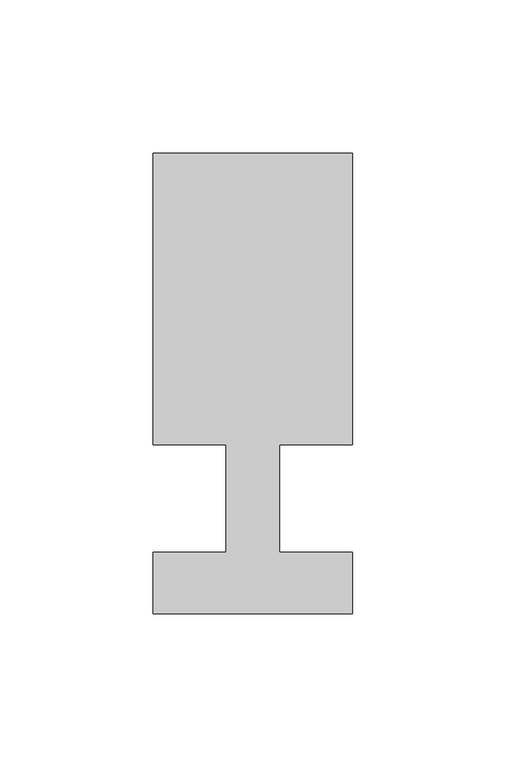
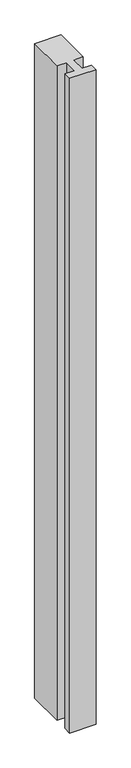
"""IFC4 building model written with IfcOpenShell, lengths in millimetres: member geometry."""

import ifcopenshell
import ifcopenshell.guid

model = None  # the IFC model being written
_history = None  # IfcOwnerHistory: only IFC2X3 demands one
_inside = {}  # id of a spatial element -> (the spatial element, [elements in it])
_under = {}  # id of a project, library or spatial element -> (it, [spatial elements below it])
_declared = {}  # id of a project -> (the project, [libraries it declares])
_typed = {}  # id of a type object -> (the type object, [elements of that type])
_made_of = {}  # id of a material, layer set ... -> (it, [elements and type objects made of it])


def new_model(schema):
    """Start an empty IFC model of exactly this schema.

    Asked for "IFC4X3", IfcOpenShell would pick the latest addendum, in which some entities
    have other attributes; the version numbers below select the first issue.
    IFC2X3 requires an IfcOwnerHistory on every rooted entity: one is made here for all.
    """
    global model, _history
    if schema == "IFC4X3":
        model = ifcopenshell.file(schema_version=(4, 3, 0, 0))
    else:
        model = ifcopenshell.file(schema=schema)
    _inside.clear()
    _under.clear()
    _declared.clear()
    _typed.clear()
    _made_of.clear()
    _history = None
    if model.schema == "IFC2X3":
        org = make("IfcOrganization", Name="unknown")
        user = make(
            "IfcPersonAndOrganization",
            ThePerson=make("IfcPerson", FamilyName="unknown"),
            TheOrganization=org,
        )
        app = make(
            "IfcApplication",
            ApplicationDeveloper=org,
            Version="unknown",
            ApplicationFullName="unknown",
            ApplicationIdentifier="unknown",
        )
        _history = make(
            "IfcOwnerHistory",
            OwningUser=user,
            OwningApplication=app,
            ChangeAction="ADDED",
            CreationDate=0,
        )
    return model


def make(cls, **values):
    """One entity of the class cls with the attributes given. An attribute that is None is left unset."""
    return model.create_entity(
        cls, **{name: value for name, value in values.items() if value is not None}
    )


def rooted(cls, **values):
    """An entity with a GlobalId (a new one), such as an element, a storey or a relation."""
    return make(cls, GlobalId=ifcopenshell.guid.new(), OwnerHistory=_history, **values)


def si_unit(unit_type, name, prefix=None):
    """IfcSIUnit, for example si_unit("LENGTHUNIT", "METRE", prefix="MILLI")."""
    return make("IfcSIUnit", UnitType=unit_type, Prefix=prefix, Name=name)


def assignment(units):
    """IfcUnitAssignment: the units of a project."""
    return None if units is None else make("IfcUnitAssignment", Units=units)


def point(xyz):
    """IfcCartesianPoint."""
    return None if xyz is None else make("IfcCartesianPoint", Coordinates=xyz)


def direction(xyz):
    """IfcDirection."""
    return None if xyz is None else make("IfcDirection", DirectionRatios=xyz)


def frame(location, z_axis=None, x_axis=None):
    """IfcAxis2Placement3D, a coordinate frame: its origin and axes. An axis left out is left unset."""
    return make(
        "IfcAxis2Placement3D",
        Location=point(location),
        Axis=direction(z_axis),
        RefDirection=direction(x_axis),
    )


def origin():
    """The frame at (0, 0, 0) with its axes left unset."""
    return frame((0.0, 0.0, 0.0))


def place(relative_to, where):
    """IfcLocalPlacement: puts the frame where relative to a parent placement (None: the world)."""
    return make(
        "IfcLocalPlacement", PlacementRelTo=relative_to, RelativePlacement=where
    )


def context(
    kind, dimensions, precision=None, world=None, true_north=None, identifier=None
):
    """IfcGeometricRepresentationContext, for example the 3D "Model" context."""
    return make(
        "IfcGeometricRepresentationContext",
        ContextIdentifier=identifier,
        ContextType=kind,
        CoordinateSpaceDimension=dimensions,
        Precision=precision,
        WorldCoordinateSystem=world,
        TrueNorth=true_north,
    )


def project(units=None, contexts=None):
    """IfcProject with its units and contexts."""
    return rooted(
        "IfcProject",
        Name="project",
        RepresentationContexts=contexts,
        UnitsInContext=assignment(units),
    )


def spatial(cls, under=None, at=None, **own):
    """A site, building, storey or space (cls), placed at a placement, below another one or the project."""
    s = rooted(cls, ObjectPlacement=at, **own)
    if under is not None:
        _under.setdefault(under.id(), (under, []))[1].append(s)
    return s


def polyline(points):
    """IfcPolyline through the points."""
    return make("IfcPolyline", Points=[point(p) for p in points])


def outline(outer, holes=None, kind="AREA"):
    """IfcArbitraryClosedProfileDef: a profile drawn as a closed curve; with holes, ...WithVoids."""
    if holes is None:
        return make("IfcArbitraryClosedProfileDef", ProfileType=kind, OuterCurve=outer)
    return make(
        "IfcArbitraryProfileDefWithVoids",
        ProfileType=kind,
        OuterCurve=outer,
        InnerCurves=holes,
    )


def extrude(swept, where, along, depth):
    """IfcExtrudedAreaSolid: the profile swept, set in the frame where, extruded along a direction by depth."""
    return make(
        "IfcExtrudedAreaSolid",
        SweptArea=swept,
        Position=where,
        ExtrudedDirection=direction(along),
        Depth=depth,
    )


def shape(context_of_items, identifier, shape_type, items):
    """IfcShapeRepresentation: the items that make up one representation, for example the "Body"."""
    return make(
        "IfcShapeRepresentation",
        ContextOfItems=context_of_items,
        RepresentationIdentifier=identifier,
        RepresentationType=shape_type,
        Items=items,
    )


def source(mapping_origin, context_of_items, identifier, shape_type, items):
    """IfcRepresentationMap: a shape defined once, which mapped items show again and again."""
    return make(
        "IfcRepresentationMap",
        MappingOrigin=mapping_origin,
        MappedRepresentation=shape(context_of_items, identifier, shape_type, items),
    )


def transform(
    local_origin,
    x_axis=None,
    y_axis=None,
    z_axis=None,
    scale=None,
    scale2=None,
    scale3=None,
    uniform=True,
):
    """IfcCartesianTransformationOperator3D, or its non-uniform kind. x_axis, y_axis, z_axis: its Axis1, 2, 3."""
    if uniform:
        return make(
            "IfcCartesianTransformationOperator3D",
            Axis1=direction(x_axis),
            Axis2=direction(y_axis),
            LocalOrigin=point(local_origin),
            Scale=scale,
            Axis3=direction(z_axis),
        )
    return make(
        "IfcCartesianTransformationOperator3DnonUniform",
        Axis1=direction(x_axis),
        Axis2=direction(y_axis),
        LocalOrigin=point(local_origin),
        Scale=scale,
        Axis3=direction(z_axis),
        Scale2=scale2,
        Scale3=scale3,
    )


def mapped(mapping_source, mapping_target):
    """IfcMappedItem: shows the shape of a source again, moved by a transform."""
    return make(
        "IfcMappedItem", MappingSource=mapping_source, MappingTarget=mapping_target
    )


def made_of(thing, what):
    """Note that an element or type object is made of a material, layer set ...; save() writes the relation."""
    if what is not None:
        _made_of.setdefault(what.id(), (what, []))[1].append(thing)
    return thing


def element(
    cls,
    number,
    at=None,
    inside=None,
    cuts=None,
    type_object=None,
    material=None,
    context=None,
    identifier="Body",
    shape_type=None,
    held_by="IfcProductDefinitionShape",
    body=None,
    shapes=None,
    **own,
):
    """One element of the class cls, such as IfcWall. Its Tag is "e" and its number.

    at: its placement. inside: the storey or other place that contains it. cuts: it is an
    opening in that element (IfcRelVoidsElement). A single representation is given by context,
    identifier, shape_type and body (its items); several are given by shapes. held_by: the class
    of the entity that holds the representations. save() writes the other relations.
    """
    e = rooted(cls, Tag="e%d" % number, ObjectPlacement=at, **own)
    if body is not None:
        shapes = [shape(context, identifier, shape_type, body)]
    if shapes is not None:
        e.Representation = make(held_by, Representations=shapes)
    if inside is not None:
        _inside.setdefault(inside.id(), (inside, []))[1].append(e)
    if cuts is not None:
        rooted(
            "IfcRelVoidsElement", RelatingBuildingElement=cuts, RelatedOpeningElement=e
        )
    if type_object is not None:
        _typed.setdefault(type_object.id(), (type_object, []))[1].append(e)
    return made_of(e, material)


def aggregate(whole, parts):
    """IfcRelAggregates: a whole, such as a stair, and the parts it consists of."""
    return rooted("IfcRelAggregates", RelatingObject=whole, RelatedObjects=parts)


def save(model, path):
    """Write the relations noted so far, then the file.

    IfcRelAggregates (storeys below a building ...), IfcRelContainedInSpatialStructure (elements
    in a storey), IfcRelDefinesByType, IfcRelAssociatesMaterial and IfcRelDeclares: one each for
    every whole, place, type object, material and project.
    """
    for whole, parts in _under.values():
        aggregate(whole, parts)
    for where, things in _inside.values():
        rooted(
            "IfcRelContainedInSpatialStructure",
            RelatedElements=things,
            RelatingStructure=where,
        )
    for kind, things in _typed.values():
        rooted("IfcRelDefinesByType", RelatedObjects=things, RelatingType=kind)
    for what, things in _made_of.values():
        rooted("IfcRelAssociatesMaterial", RelatedObjects=things, RelatingMaterial=what)
    for by, libraries in _declared.values():
        rooted("IfcRelDeclares", RelatingContext=by, RelatedDefinitions=libraries)
    model.write(path)


def member_d4aa25a3(model_context):
    return source(origin(), model_context, "Body", "SweptSolid", [
        extrude(outline(polyline([(-65.0, -37.0), (-65.0, -17.0), (-41.1875, -17.0), (-41.1875, 18.0), (-65.0, 18.0), (-65.0, 113.0), (0.0, 113.0), (0.0, 18.0), (-23.8125, 18.0), (-23.8125, -17.0), (0.0, -17.0), (0.0, -37.0), (-65.0, -37.0)])), frame((0.0, 0.0, -1708.0), z_axis=(0.0, 0.0, 1.0), x_axis=(1.0, 0.0, 0.0)), (0.0, 0.0, 1.0), 1708.0),
    ])


if __name__ == "__main__":
    model = new_model("IFC4")
    model_context = context("Model", 3, world=origin())
    ifc_project = project(units=[si_unit("LENGTHUNIT", "METRE", prefix="MILLI")], contexts=[model_context])
    site = spatial("IfcSite", under=ifc_project)
    building = spatial("IfcBuilding", under=site)
    placement = place(None, origin())
    member_shape = member_d4aa25a3(model_context)
    element("IfcMember", 1, at=placement, inside=building, context=model_context, shape_type="MappedRepresentation", body=[
        mapped(member_shape, transform((0.0, 0.0, 0.0), x_axis=(1.0, 0.0, 0.0), y_axis=(0.0, 1.0, 0.0), z_axis=(0.0, 0.0, 1.0))),
    ])
    save(model, "model.ifc")
